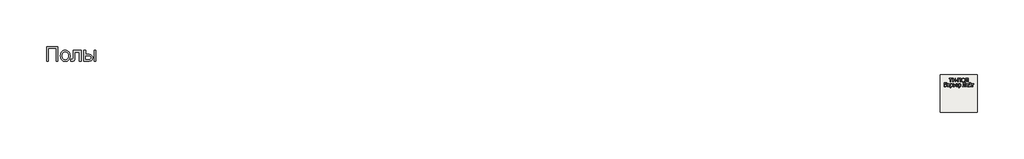
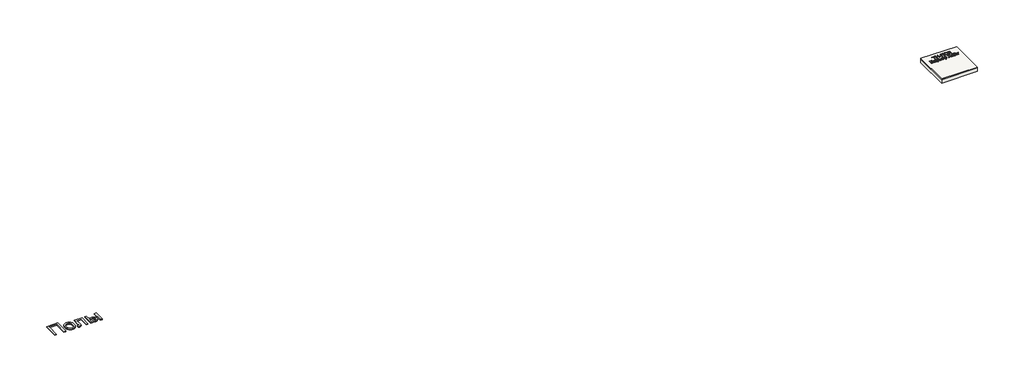
# One storey: 2 proxies, 2 slabs.
"""IFC4 building model written with IfcOpenShell, lengths in millimetres."""

from ifc_helpers import new_model, si_unit, frame, origin, origin_with_axes, place, context, project, spatial, polyline, outline, extrude, element, save

model = new_model("IFC4")

# Units and contexts
model_context = context("Model", 3, world=origin())
ifc_project = project(units=[si_unit("LENGTHUNIT", "METRE", prefix="MILLI")], contexts=[model_context])

# Site, building, storey
site = spatial("IfcSite", under=ifc_project)
building = spatial("IfcBuilding", under=site)
storey = spatial("IfcBuildingStorey", under=building, Elevation=0.0)

# Proxies
placement = place(None, origin())
element("IfcBuildingElementProxy", 1, Name="Generic Models", at=placement, inside=storey, context=model_context, shape_type="SweptSolid", body=[
    extrude(outline(polyline([(-2221.4493901, -14787.7817103), (-1609.328178, -14787.7817103), (-1609.328178, -15571.2968619), (-1707.2675719, -15571.2968619), (-1707.2675719, -14885.7211043), (-2123.5099961, -14885.7211043), (-2123.5099961, -15571.2968619), (-2221.4493901, -15571.2968619), (-2221.4493901, -14787.7817103)])), origin_with_axes(), (0.0, 0.0, 1.0), 40.0),
    extrude(outline(polyline([(-1474.6615113, -15283.5998922), (-1469.3652282, -15209.0813079), (-1462.7448742, -15175.6866287), (-1453.4763787, -15144.8683581), (-1441.5597416, -15116.6264961), (-1426.994963, -15090.9610427), (-1409.7820428, -15067.871998), (-1389.920981, -15047.3593619), (-1352.5959336, -15019.491109), (-1311.3973068, -14999.5852141), (-1266.3251003, -14987.6416772), (-1217.3793143, -14983.6604982), (-1163.3464663, -14988.5084504), (-1114.4903465, -15003.0523069), (-1070.810955, -15027.2920678), (-1032.3082916, -15061.2277331), (-1000.8832798, -15103.7115754), (-978.4368427, -15153.5958675), (-964.9689805, -15210.8806095), (-960.4796931, -15275.5658013), (-962.4643049, -15327.9906355), (-968.4181401, -15374.5094566), (-978.3411988, -15415.1222643), (-992.233481, -15449.8290588), (-1009.921632, -15479.8074561), (-1031.2322973, -15506.2350721), (-1056.1654767, -15529.1119068), (-1084.7211704, -15548.4379603), (-1115.7875175, -15563.7947904), (-1148.2526571, -15574.7639547), (-1182.1165894, -15581.3454532), (-1217.3793143, -15583.5392861), (-1272.2012248, -15578.7092672), (-1321.5116533, -15564.2192103), (-1365.3105998, -15540.0691156), (-1403.5980643, -15506.2589831), (-1434.6883224, -15463.3626763), (-1456.8956496, -15411.9540588), (-1470.2200459, -15352.0331308), (-1474.6615113, -15283.5998922)]), holes=[polyline([(-1376.7221174, -15283.4086043), (-1373.8886657, -15330.9137534), (-1365.3883105, -15372.0466251), (-1351.221052, -15406.8072193), (-1331.3868901, -15435.1955361), (-1307.2607064, -15457.2474419), (-1280.2173825, -15472.9988031), (-1250.2569185, -15482.4496199), (-1217.3793143, -15485.5998922), (-1184.6690871, -15482.4316867), (-1154.828178, -15472.9270702), (-1127.8565871, -15457.0860427), (-1103.7543143, -15434.9086043), (-1083.9201524, -15406.2393335), (-1069.7528939, -15370.9228088), (-1061.2525388, -15328.9590304), (-1058.4190871, -15280.3479982), (-1061.270472, -15234.3492411), (-1069.8246268, -15194.2923638), (-1084.0815515, -15160.1773661), (-1104.0412461, -15132.0042482), (-1128.2331851, -15109.9523424), (-1155.1868427, -15094.2009812), (-1184.9022192, -15084.7501644), (-1217.3793143, -15081.5998922), (-1250.2569185, -15084.7382089), (-1280.2173825, -15094.1531592), (-1307.2607064, -15109.844743), (-1331.3868901, -15131.8129603), (-1351.221052, -15160.1175887), (-1365.3883105, -15194.8184054), (-1373.8886657, -15235.9154106), (-1376.7221174, -15283.4086043)])]), origin_with_axes(), (0.0, 0.0, 1.0), 40.0),
    extrude(outline(polyline([(-801.328178, -14995.9029225), (-360.6009052, -14995.9029225), (-360.6009052, -15570.7229982), (-458.5402992, -15570.7229982), (-458.5402992, -15093.8423164), (-703.388784, -15093.8423164), (-703.388784, -15368.3404225), (-705.038642, -15448.011824), (-709.9882158, -15494.9729982), (-722.350195, -15523.6422691), (-746.2372689, -15548.4379603), (-762.7119374, -15558.4387298), (-782.4863219, -15565.5821365), (-805.5604223, -15569.8681805), (-831.9342386, -15571.2968619), (-911.5099961, -15566.323377), (-911.5099961, -15473.3574679), (-867.7050719, -15473.3574679), (-841.1399677, -15471.8510759), (-823.421928, -15467.3318997), (-812.351142, -15459.5369187), (-805.7277992, -15448.2031119), (-802.4280833, -15420.2989925), (-801.328178, -15362.793074), (-801.328178, -14995.9029225)])), origin_with_axes(), (0.0, 0.0, 1.0), 40.0),
    extrude(outline(polyline([(-213.6918143, -14995.9029225), (-115.7524204, -14995.9029225), (-115.7524204, -15204.0241346), (5.3328069, -15204.0241346), (61.0513793, -15207.0907184), (109.9911876, -15216.2904698), (152.1522316, -15231.6233888), (187.5345114, -15253.0894755), (215.5282969, -15279.9474892), (235.523858, -15311.4561895), (247.5211947, -15347.6155763), (251.5203069, -15388.4256497), (248.1667913, -15424.8361019), (238.1062444, -15458.5087463), (221.3386663, -15489.443583), (197.8640569, -15517.6406119), (167.0248642, -15541.1152212), (128.1635361, -15557.8827994), (81.2800725, -15567.9433462), (26.3744736, -15571.2968619), (-213.6918143, -15571.2968619), (-213.6918143, -14995.9029225)]), holes=[polyline([(-115.7524204, -15473.3574679), (-15.1349961, -15473.3574679), (62.8626364, -15468.2166062), (92.0699044, -15461.790529), (114.7494736, -15452.794021), (131.7382283, -15441.0716606), (143.8730531, -15426.4680266), (151.153948, -15408.983119), (153.5809129, -15388.6169376), (151.7816113, -15372.1542245), (146.3837065, -15356.6240399), (137.3871985, -15342.0263836), (124.7920872, -15328.3612558), (106.0518528, -15316.8122501), (78.6199754, -15308.5629603), (42.4964551, -15303.6133865), (-2.3187083, -15301.9635285), (-115.7524204, -15301.9635285), (-115.7524204, -15473.3574679)])]), origin_with_axes(), (0.0, 0.0, 1.0), 40.0),
    extrude(outline(polyline([(324.9748523, -14995.9029225), (422.9142463, -14995.9029225), (422.9142463, -15571.2968619), (324.9748523, -15571.2968619), (324.9748523, -14995.9029225)])), origin_with_axes(), (0.0, 0.0, 1.0), 40.0),
])
element("IfcBuildingElementProxy", 2, Name="Generic Models", at=placement, inside=storey, context=model_context, shape_type="SweptSolid", body=[
    extrude(outline(polyline([(46256.8186644, -16688.792124), (46256.8186644, -16516.4844317), (46192.2032798, -16516.4844317), (46192.2032798, -16491.8690471), (46346.0494336, -16491.8690471), (46346.0494336, -16516.4844317), (46281.434049, -16516.4844317), (46281.434049, -16688.792124), (46256.8186644, -16688.792124)])), origin_with_axes(), (0.0, 0.0, 1.0), 20.0),
    extrude(outline(polyline([(46373.7417413, -16688.792124), (46373.7417413, -16491.8690471), (46398.3571259, -16491.8690471), (46398.3571259, -16571.8690471), (46502.9725106, -16571.8690471), (46502.9725106, -16491.8690471), (46527.5878952, -16491.8690471), (46527.5878952, -16688.792124), (46502.9725106, -16688.792124), (46502.9725106, -16596.4844317), (46398.3571259, -16596.4844317), (46398.3571259, -16688.792124), (46373.7417413, -16688.792124)])), origin_with_axes(), (0.0, 0.0, 1.0), 20.0),
    extrude(outline(polyline([(46555.2802029, -16630.3305856), (46555.2802029, -16605.7152009), (46632.2032798, -16605.7152009), (46632.2032798, -16630.3305856), (46555.2802029, -16630.3305856)])), origin_with_axes(), (0.0, 0.0, 1.0), 20.0),
    extrude(outline(polyline([(46662.9725106, -16491.8690471), (46816.8186644, -16491.8690471), (46816.8186644, -16688.792124), (46792.2032798, -16688.792124), (46792.2032798, -16516.4844317), (46687.5878952, -16516.4844317), (46687.5878952, -16688.792124), (46662.9725106, -16688.792124), (46662.9725106, -16491.8690471)])), origin_with_axes(), (0.0, 0.0, 1.0), 20.0),
    extrude(outline(polyline([(46850.6648182, -16592.9267394), (46852.3054432, -16569.8287827), (46857.2273182, -16549.3810663), (46865.4304432, -16531.5835904), (46876.9148182, -16516.4363548), (46890.9923423, -16504.3420038), (46906.9749144, -16495.7031817), (46924.8625346, -16490.5198884), (46944.6552029, -16488.792124), (46970.4845298, -16492.0373163), (46993.6455875, -16501.7728932), (47012.8763567, -16517.3137586), (47026.9148182, -16537.9748163), (47035.496549, -16562.7584702), (47038.3571259, -16590.667124), (47035.3463086, -16618.948374), (47026.3138567, -16644.0805856), (47011.7585682, -16664.7777009), (46992.1792413, -16679.7536625), (46969.2165009, -16688.8402009), (46944.5109721, -16691.8690471), (46918.2850106, -16688.5216913), (46894.9917413, -16678.479624), (46875.809049, -16662.6502971), (46861.9148182, -16641.9411625), (46853.4773182, -16618.1130375), (46850.6648182, -16592.9267394)]), holes=[polyline([(46875.2802029, -16593.167124), (46880.2020779, -16623.9724125), (46894.9677029, -16647.4459702), (46917.1612125, -16662.3017394), (46944.3667413, -16667.2536625), (46971.9689048, -16662.2536625), (46994.1984721, -16647.2536625), (47002.7486524, -16636.2049846), (47008.855924, -16623.0589509), (47013.7417413, -16590.4748163), (47011.6503952, -16568.6839509), (47005.3763567, -16549.8498163), (46995.0818856, -16534.4471721), (46980.9292413, -16522.9507779), (46963.855924, -16515.7933259), (46944.7994336, -16513.4075086), (46918.3210682, -16518.0048644), (46895.809049, -16531.7969317), (46886.8276788, -16542.5286024), (46880.4124144, -16556.3341913), (46875.2802029, -16593.167124)])]), origin_with_axes(), (0.0, 0.0, 1.0), 20.0),
    extrude(outline(polyline([(47087.5878952, -16491.8690471), (47207.5878952, -16491.8690471), (47207.5878952, -16688.792124), (47182.9725106, -16688.792124), (47182.9725106, -16516.4844317), (47112.2032798, -16516.4844317), (47112.2032798, -16616.9652009), (47109.3427029, -16661.7969317), (47104.9136163, -16674.4652009), (47097.3475106, -16683.9603932), (47086.9869336, -16689.8918836), (47074.1744336, -16691.8690471), (47053.7417413, -16688.792124), (47056.8186644, -16664.1767394), (47068.5975106, -16667.2536625), (47076.9208279, -16665.6010182), (47082.8523182, -16660.6430856), (47086.4040009, -16649.5553452), (47087.5878952, -16629.5132779), (47087.5878952, -16491.8690471)])), origin_with_axes(), (0.0, 0.0, 1.0), 20.0),
    extrude(outline(polyline([(45924.5109721, -16734.9459702), (46047.5878952, -16734.9459702), (46047.5878952, -16759.5613548), (45949.1263567, -16759.5613548), (45949.1263567, -16818.0228932), (45995.2321259, -16818.0228932), (46035.8571259, -16823.0228932), (46049.4508759, -16830.2464509), (46060.0398182, -16841.917124), (46066.8547221, -16856.9411625), (46069.1263567, -16874.2248163), (46067.5097702, -16888.7380375), (46062.6600106, -16902.2777009), (46054.6011163, -16914.1346721), (46043.3571259, -16923.5998163), (46026.0133759, -16929.8017394), (45999.6552029, -16931.8690471), (45924.5109721, -16931.8690471), (45924.5109721, -16734.9459702)]), holes=[polyline([(45949.1263567, -16907.2536625), (46001.8667413, -16907.2536625), (46020.5085682, -16905.2224125), (46033.8378952, -16899.1286625), (46041.8427029, -16888.9724125), (46044.5109721, -16874.7536625), (46042.9845298, -16864.1647202), (46038.4052029, -16855.4748163), (46031.1035202, -16849.0325086), (46021.4100106, -16845.1863548), (45984.3186644, -16842.6382779), (45949.1263567, -16842.6382779), (45949.1263567, -16907.2536625)])]), origin_with_axes(), (0.0, 0.0, 1.0), 20.0),
    extrude(outline(polyline([(46192.2032798, -16913.4075086), (46168.3330875, -16930.0902009), (46141.9628952, -16934.9459702), (46121.3919817, -16932.0252971), (46106.2177029, -16923.2632779), (46096.8607317, -16909.9579894), (46093.7417413, -16893.4075086), (46098.4532798, -16873.9363548), (46110.8330875, -16859.8017394), (46128.0686644, -16851.7248163), (46149.3667413, -16848.0228932), (46192.059049, -16839.5613548), (46192.2032798, -16834.0805856), (46190.5085682, -16823.0950086), (46185.4244336, -16815.9075086), (46174.0542413, -16810.5709702), (46158.2128952, -16808.792124), (46133.309049, -16813.5277009), (46126.3258759, -16820.0962106), (46121.434049, -16830.3305856), (46096.8186644, -16827.2536625), (46107.4677029, -16803.2152009), (46116.5422221, -16795.1262586), (46128.9100106, -16789.1286625), (46161.3859721, -16784.1767394), (46191.2177029, -16788.5517394), (46208.0686644, -16799.5373163), (46215.6167413, -16816.2440471), (46216.8186644, -16837.7825086), (46216.8186644, -16868.4075086), (46218.0686644, -16911.1719317), (46222.9725106, -16931.8690471), (46198.3571259, -16931.8690471), (46192.2032798, -16913.4075086)]), holes=[polyline([(46192.2032798, -16864.1767394), (46152.4917413, -16871.7248163), (46131.3138567, -16875.7152009), (46121.7225106, -16882.2055856), (46118.3571259, -16891.6767394), (46120.1900586, -16898.9964509), (46125.6888567, -16904.9940471), (46134.7333279, -16908.9964509), (46147.2032798, -16910.3305856), (46160.4244336, -16908.8582298), (46172.1071259, -16904.4411625), (46188.1648182, -16890.1863548), (46192.059049, -16871.1478932), (46192.2032798, -16864.1767394)])]), origin_with_axes(), (0.0, 0.0, 1.0), 20.0),
    extrude(outline(polyline([(46250.6648182, -16987.2536625), (46250.6648182, -16787.2536625), (46275.2802029, -16787.2536625), (46275.2802029, -16811.3882779), (46292.2994336, -16790.979624), (46302.7802029, -16785.8774606), (46315.2802029, -16784.1767394), (46331.9268375, -16786.5565471), (46346.4821259, -16793.6959702), (46358.3330875, -16805.1623163), (46366.8667413, -16820.5228932), (46372.0229913, -16838.6599125), (46373.7417413, -16858.4555856), (46371.8006356, -16879.5072682), (46365.9773182, -16898.3353932), (46356.4580875, -16913.9844317), (46343.4292413, -16925.4988548), (46328.2549625, -16932.5841913), (46312.2994336, -16934.9459702), (46300.9833279, -16933.3654413), (46290.8811644, -16928.6238548), (46275.2802029, -16912.6382779), (46275.2802029, -16987.2536625), (46250.6648182, -16987.2536625)]), holes=[polyline([(46275.2802029, -16860.7152009), (46277.9424625, -16882.7825086), (46285.9292413, -16898.2152009), (46297.7140971, -16907.3017394), (46311.7705875, -16910.3305856), (46326.0554432, -16907.1935663), (46338.1407798, -16897.7825086), (46346.3799625, -16881.7849125), (46349.1263567, -16858.8882779), (46346.4460682, -16836.9411625), (46338.4052029, -16821.292124), (46326.6383759, -16811.917124), (46312.7802029, -16808.792124), (46298.8679432, -16812.1154413), (46286.6503952, -16822.0853932), (46278.1227509, -16838.3894798), (46275.2802029, -16860.7152009)])]), origin_with_axes(), (0.0, 0.0, 1.0), 20.0),
    extrude(outline(polyline([(46401.434049, -16787.2536625), (46426.0494336, -16787.2536625), (46426.0494336, -16839.5613548), (46454.4148182, -16839.5613548), (46479.0061644, -16842.6442875), (46497.2032798, -16851.8930856), (46508.4532798, -16866.5625567), (46512.2032798, -16885.9075086), (46509.012174, -16903.5216913), (46499.4388567, -16918.3834702), (46482.8463086, -16928.4976529), (46458.5975106, -16931.8690471), (46401.434049, -16931.8690471), (46401.434049, -16787.2536625)]), holes=[polyline([(46426.0494336, -16907.2536625), (46449.0302029, -16907.2536625), (46466.8607317, -16905.9615952), (46478.7177029, -16902.0853932), (46485.3703471, -16895.4688067), (46487.5878952, -16885.9555856), (46485.9472702, -16877.9147202), (46481.0253952, -16870.8113548), (46470.4785202, -16865.8353932), (46451.9628952, -16864.1767394), (46426.0494336, -16864.1767394), (46426.0494336, -16907.2536625)])]), origin_with_axes(), (0.0, 0.0, 1.0), 20.0),
    extrude(outline(polyline([(46644.2225106, -16888.792124), (46668.3571259, -16891.8690471), (46659.6612125, -16910.0541432), (46645.7850106, -16923.6478932), (46627.0410202, -16932.1214509), (46603.7417413, -16934.9459702), (46574.8595298, -16930.0721721), (46552.6359721, -16915.4507779), (46538.465299, -16892.0313067), (46533.7417413, -16860.7632779), (46538.5133759, -16828.4435663), (46552.8282798, -16804.2728932), (46574.7513567, -16789.2007779), (46602.3475106, -16784.1767394), (46629.0842894, -16789.1887586), (46650.4484721, -16804.2248163), (46664.4568856, -16828.3474125), (46669.1263567, -16860.6190471), (46668.9821259, -16867.2536625), (46558.3571259, -16867.2536625), (46562.6179432, -16885.6791432), (46572.5157798, -16899.2248163), (46586.8006356, -16907.5541432), (46604.2225106, -16910.3305856), (46628.3571259, -16905.1863548), (46637.3234721, -16898.5156817), (46644.2225106, -16888.792124)]), holes=[polyline([(46558.3571259, -16842.6382779), (46644.5109721, -16842.6382779), (46641.1816452, -16829.6334702), (46634.6552029, -16820.3305856), (46620.3042413, -16811.6767394), (46602.2513567, -16808.792124), (46585.6588086, -16811.0938067), (46571.9388567, -16817.9988548), (46562.4015971, -16828.7620759), (46558.3571259, -16842.6382779)])]), origin_with_axes(), (0.0, 0.0, 1.0), 20.0),
    extrude(outline(polyline([(46693.7417413, -16987.2536625), (46693.7417413, -16787.2536625), (46718.3571259, -16787.2536625), (46718.3571259, -16811.3882779), (46735.3763567, -16790.979624), (46745.8571259, -16785.8774606), (46758.3571259, -16784.1767394), (46775.0037606, -16786.5565471), (46789.559049, -16793.6959702), (46801.4100106, -16805.1623163), (46809.9436644, -16820.5228932), (46815.0999144, -16838.6599125), (46816.8186644, -16858.4555856), (46814.8775586, -16879.5072682), (46809.0542413, -16898.3353932), (46799.5350106, -16913.9844317), (46786.5061644, -16925.4988548), (46771.3318856, -16932.5841913), (46755.3763567, -16934.9459702), (46744.0602509, -16933.3654413), (46733.9580875, -16928.6238548), (46718.3571259, -16912.6382779), (46718.3571259, -16987.2536625), (46693.7417413, -16987.2536625)]), holes=[polyline([(46718.3571259, -16860.7152009), (46721.0193856, -16882.7825086), (46729.0061644, -16898.2152009), (46740.7910202, -16907.3017394), (46754.8475106, -16910.3305856), (46769.1323663, -16907.1935663), (46781.2177029, -16897.7825086), (46789.4568856, -16881.7849125), (46792.2032798, -16858.8882779), (46789.5229913, -16836.9411625), (46781.4821259, -16821.292124), (46769.715299, -16811.917124), (46755.8571259, -16808.792124), (46741.9448663, -16812.1154413), (46729.7273182, -16822.0853932), (46721.199674, -16838.3894798), (46718.3571259, -16860.7152009)])]), origin_with_axes(), (0.0, 0.0, 1.0), 20.0),
    extrude(outline(polyline([(46939.8955875, -16734.9459702), (47059.8955875, -16734.9459702), (47059.8955875, -16931.8690471), (47035.2802029, -16931.8690471), (47035.2802029, -16759.5613548), (46964.5109721, -16759.5613548), (46964.5109721, -16860.042124), (46961.6503952, -16904.8738548), (46957.2213086, -16917.542124), (46949.6552029, -16927.0373163), (46939.2946259, -16932.9688067), (46926.4821259, -16934.9459702), (46906.0494336, -16931.8690471), (46909.1263567, -16907.2536625), (46920.9052029, -16910.3305856), (46929.2285202, -16908.6779413), (46935.1600106, -16903.7200086), (46938.7116932, -16892.6322682), (46939.8955875, -16872.5902009), (46939.8955875, -16734.9459702)])), origin_with_axes(), (0.0, 0.0, 1.0), 20.0),
    extrude(outline(polyline([(47192.2032798, -16913.4075086), (47168.3330875, -16930.0902009), (47141.9628952, -16934.9459702), (47121.3919817, -16932.0252971), (47106.2177029, -16923.2632779), (47096.8607317, -16909.9579894), (47093.7417413, -16893.4075086), (47098.4532798, -16873.9363548), (47110.8330875, -16859.8017394), (47128.0686644, -16851.7248163), (47149.3667413, -16848.0228932), (47192.059049, -16839.5613548), (47192.2032798, -16834.0805856), (47190.5085682, -16823.0950086), (47185.4244336, -16815.9075086), (47174.0542413, -16810.5709702), (47158.2128952, -16808.792124), (47133.309049, -16813.5277009), (47126.3258759, -16820.0962106), (47121.434049, -16830.3305856), (47096.8186644, -16827.2536625), (47107.4677029, -16803.2152009), (47116.5422221, -16795.1262586), (47128.9100106, -16789.1286625), (47161.3859721, -16784.1767394), (47191.2177029, -16788.5517394), (47208.0686644, -16799.5373163), (47215.6167413, -16816.2440471), (47216.8186644, -16837.7825086), (47216.8186644, -16868.4075086), (47218.0686644, -16911.1719317), (47222.9725106, -16931.8690471), (47198.3571259, -16931.8690471), (47192.2032798, -16913.4075086)]), holes=[polyline([(47192.2032798, -16864.1767394), (47152.4917413, -16871.7248163), (47131.3138567, -16875.7152009), (47121.7225106, -16882.2055856), (47118.3571259, -16891.6767394), (47120.1900586, -16898.9964509), (47125.6888567, -16904.9940471), (47134.7333279, -16908.9964509), (47147.2032798, -16910.3305856), (47160.4244336, -16908.8582298), (47172.1071259, -16904.4411625), (47188.1648182, -16890.1863548), (47192.059049, -16871.1478932), (47192.2032798, -16864.1767394)])]), origin_with_axes(), (0.0, 0.0, 1.0), 20.0),
    extrude(outline(polyline([(47330.6648182, -16734.9459702), (47349.1263567, -16734.9459702), (47345.1540009, -16750.7091913), (47337.1792413, -16762.3257779), (47325.5626548, -16769.4832298), (47310.6648182, -16771.8690471), (47294.4989529, -16769.5012586), (47281.9628952, -16762.3978932), (47273.3931836, -16750.7993356), (47269.1263567, -16734.9459702), (47287.5878952, -16734.9459702), (47294.5109721, -16748.8161625), (47308.4532798, -16753.4075086), (47323.7417413, -16748.9603932), (47330.6648182, -16734.9459702)])), origin_with_axes(), (0.0, 0.0, 1.0), 20.0),
    extrude(outline(polyline([(47250.6648182, -16787.2536625), (47275.2802029, -16787.2536625), (47275.2802029, -16897.542124), (47335.7609721, -16787.2536625), (47367.5878952, -16787.2536625), (47367.5878952, -16931.8690471), (47342.9725106, -16931.8690471), (47342.9725106, -16822.2536625), (47282.8763567, -16931.8690471), (47250.6648182, -16931.8690471), (47250.6648182, -16787.2536625)])), origin_with_axes(), (0.0, 0.0, 1.0), 20.0),
    extrude(outline(polyline([(47392.2032798, -16787.2536625), (47509.1263567, -16787.2536625), (47509.1263567, -16811.8690471), (47462.9725106, -16811.8690471), (47462.9725106, -16931.8690471), (47438.3571259, -16931.8690471), (47438.3571259, -16811.8690471), (47392.2032798, -16811.8690471), (47392.2032798, -16787.2536625)])), origin_with_axes(), (0.0, 0.0, 1.0), 20.0),
])

# Slabs
element("IfcSlab", 3, at=placement, inside=storey, context=model_context, shape_type="SweptSolid", body=[
    extrude(outline(polyline([(47706.3955952, -16302.6148653), (47706.3955952, -18302.6148653), (45706.3955952, -18302.6148653), (45706.3955952, -16302.6148653), (47706.3955952, -16302.6148653)])), frame((0.0, 0.0, -48.0), z_axis=(0.0, 0.0, 1.0), x_axis=(1.0, 0.0, 0.0)), (0.0, 0.0, 1.0), 48.0),
])
element("IfcSlab", 4, at=placement, inside=storey, context=model_context, shape_type="SweptSolid", body=[
    extrude(outline(polyline([(47706.3955952, -16302.6148653), (47706.3955952, -18302.6148653), (45706.3955952, -18302.6148653), (45706.3955952, -16302.6148653), (47706.3955952, -16302.6148653)])), frame((0.0, 0.0, -248.0), z_axis=(0.0, 0.0, 1.0), x_axis=(1.0, 0.0, 0.0)), (0.0, 0.0, 1.0), 200.0),
])

save(model, "model.ifc")
